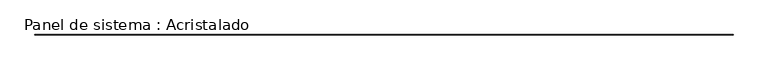
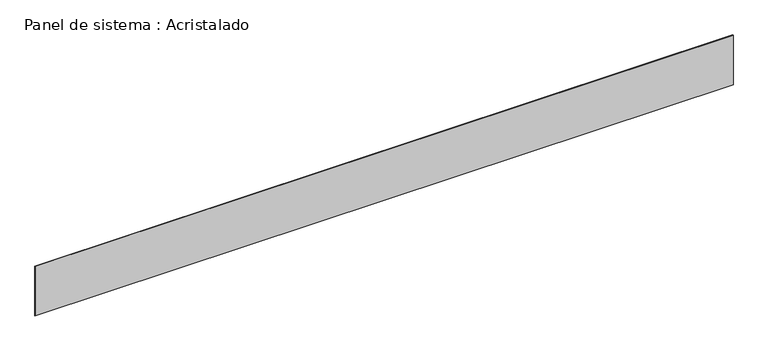
"""IFC4 building model written with IfcOpenShell, lengths in millimetres: plate geometry, Panel de sistema : Acristalado."""

from ifc_helpers import new_model, si_unit, origin, origin_with_axes, place, context, project, spatial, polyline, outline, extrude, source, transform, mapped, element, save


def panel_de_sistema_acristalado_1edcea53(model_context):
    return source(origin(), model_context, "Body", "SweptSolid", [
        extrude(outline(polyline([(19741.3605274, -10.0), (-19741.3605274, -10.0), (-19741.3605274, 10.0), (19741.3605274, 10.0), (19741.3605274, -10.0)])), origin_with_axes(), (0.0, 0.0, 1.0), 2960.0),
    ])


if __name__ == "__main__":
    model = new_model("IFC4")
    model_context = context("Model", 3, world=origin())
    ifc_project = project(units=[si_unit("LENGTHUNIT", "METRE", prefix="MILLI")], contexts=[model_context])
    site = spatial("IfcSite", under=ifc_project)
    building = spatial("IfcBuilding", under=site)
    placement = place(None, origin())
    panel_de_sistema_acristalado_shape = panel_de_sistema_acristalado_1edcea53(model_context)
    element("IfcPlate", 1, ObjectType="Panel de sistema : Acristalado", at=placement, inside=building, context=model_context, shape_type="MappedRepresentation", body=[
        mapped(panel_de_sistema_acristalado_shape, transform((0.0, 0.0, 0.0), x_axis=(1.0, 0.0, 0.0), y_axis=(0.0, 1.0, 0.0), z_axis=(0.0, 0.0, 1.0))),
    ])
    save(model, "model.ifc")
